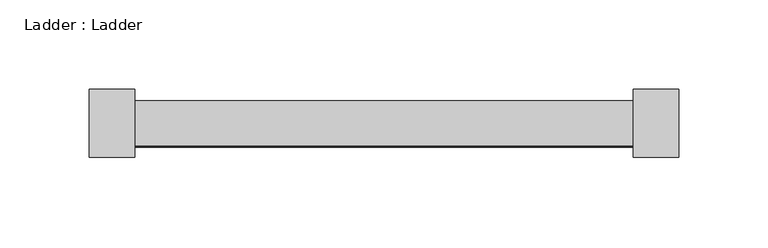
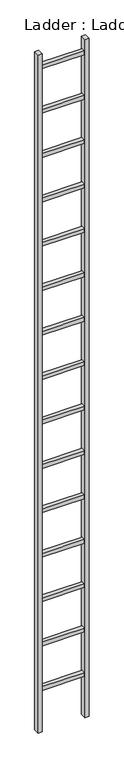
"""IFC4 building model written with IfcOpenShell, lengths in millimetres: proxy geometry, Ladder : Ladder."""

from ifc_helpers import new_model, si_unit, frame, origin, origin_with_axes, place, context, project, spatial, polyline, outline, extrude, source, transform, mapped, element, save


def ladder_ladder_d0bb3a55(model_context):
    return source(origin(), model_context, "Body", "SweptSolid", [
        extrude(outline(polyline([(139.7, -12.7), (-139.7, -12.7), (-139.7, 12.7), (139.7, 12.7), (139.7, -12.7)])), frame((0.0, 0.0, 279.1622392), z_axis=(0.0, 0.0, 1.0), x_axis=(1.0, 0.0, 0.0)), (0.0, 0.0, 1.0), 25.4),
        extrude(outline(polyline([(139.7, -12.7), (-139.7, -12.7), (-139.7, 12.7), (139.7, 12.7), (139.7, -12.7)])), frame((0.0, 0.0, 583.9622392), z_axis=(0.0, 0.0, 1.0), x_axis=(1.0, 0.0, 0.0)), (0.0, 0.0, 1.0), 25.4),
        extrude(outline(polyline([(139.7, -12.7), (-139.7, -12.7), (-139.7, 12.7), (139.7, 12.7), (139.7, -12.7)])), frame((0.0, 0.0, 888.7622392), z_axis=(0.0, 0.0, 1.0), x_axis=(1.0, 0.0, 0.0)), (0.0, 0.0, 1.0), 25.4),
        extrude(outline(polyline([(139.7, -12.7), (-139.7, -12.7), (-139.7, 12.7), (139.7, 12.7), (139.7, -12.7)])), frame((0.0, 0.0, 1193.5622392), z_axis=(0.0, 0.0, 1.0), x_axis=(1.0, 0.0, 0.0)), (0.0, 0.0, 1.0), 25.4),
        extrude(outline(polyline([(139.7, -12.7), (-139.7, -12.7), (-139.7, 12.7), (139.7, 12.7), (139.7, -12.7)])), frame((0.0, 0.0, 1498.3622392), z_axis=(0.0, 0.0, 1.0), x_axis=(1.0, 0.0, 0.0)), (0.0, 0.0, 1.0), 25.4),
        extrude(outline(polyline([(139.7, -12.7), (-139.7, -12.7), (-139.7, 12.7), (139.7, 12.7), (139.7, -12.7)])), frame((0.0, 0.0, 1803.1622392), z_axis=(0.0, 0.0, 1.0), x_axis=(1.0, 0.0, 0.0)), (0.0, 0.0, 1.0), 25.4),
        extrude(outline(polyline([(139.7, -12.7), (-139.7, -12.7), (-139.7, 12.7), (139.7, 12.7), (139.7, -12.7)])), frame((0.0, 0.0, 2107.9622392), z_axis=(0.0, 0.0, 1.0), x_axis=(1.0, 0.0, 0.0)), (0.0, 0.0, 1.0), 25.4),
        extrude(outline(polyline([(139.7, -12.7), (-139.7, -12.7), (-139.7, 12.7), (139.7, 12.7), (139.7, -12.7)])), frame((0.0, 0.0, 2412.7622392), z_axis=(0.0, 0.0, 1.0), x_axis=(1.0, 0.0, 0.0)), (0.0, 0.0, 1.0), 25.4),
        extrude(outline(polyline([(139.7, -12.7), (-139.7, -12.7), (-139.7, 12.7), (139.7, 12.7), (139.7, -12.7)])), frame((0.0, 0.0, 2717.5622392), z_axis=(0.0, 0.0, 1.0), x_axis=(1.0, 0.0, 0.0)), (0.0, 0.0, 1.0), 25.4),
        extrude(outline(polyline([(139.7, -12.7), (-139.7, -12.7), (-139.7, 12.7), (139.7, 12.7), (139.7, -12.7)])), frame((0.0, 0.0, 3022.3622392), z_axis=(0.0, 0.0, 1.0), x_axis=(1.0, 0.0, 0.0)), (0.0, 0.0, 1.0), 25.4),
        extrude(outline(polyline([(139.7, -12.7), (-139.7, -12.7), (-139.7, 12.7), (139.7, 12.7), (139.7, -12.7)])), frame((0.0, 0.0, 3327.1622392), z_axis=(0.0, 0.0, 1.0), x_axis=(1.0, 0.0, 0.0)), (0.0, 0.0, 1.0), 25.4),
        extrude(outline(polyline([(139.7, -12.7), (-139.7, -12.7), (-139.7, 12.7), (139.7, 12.7), (139.7, -12.7)])), frame((0.0, 0.0, 3631.9622392), z_axis=(0.0, 0.0, 1.0), x_axis=(1.0, 0.0, 0.0)), (0.0, 0.0, 1.0), 25.4),
        extrude(outline(polyline([(139.7, -12.7), (-139.7, -12.7), (-139.7, 12.7), (139.7, 12.7), (139.7, -12.7)])), frame((0.0, 0.0, 3936.7622392), z_axis=(0.0, 0.0, 1.0), x_axis=(1.0, 0.0, 0.0)), (0.0, 0.0, 1.0), 25.4),
        extrude(outline(polyline([(139.7, -12.7), (-139.7, -12.7), (-139.7, 12.7), (139.7, 12.7), (139.7, -12.7)])), frame((0.0, 0.0, 4241.5622392), z_axis=(0.0, 0.0, 1.0), x_axis=(1.0, 0.0, 0.0)), (0.0, 0.0, 1.0), 25.4),
        extrude(outline(polyline([(139.7, -12.7), (-139.7, -12.7), (-139.7, 12.7), (139.7, 12.7), (139.7, -12.7)])), frame((0.0, 0.0, 4546.3622392), z_axis=(0.0, 0.0, 1.0), x_axis=(1.0, 0.0, 0.0)), (0.0, 0.0, 1.0), 25.4),
        extrude(outline(polyline([(-139.7, -19.05), (-165.1, -19.05), (-165.1, 19.05), (-139.7, 19.05), (-139.7, -19.05)])), origin_with_axes(), (0.0, 0.0, 1.0), 4653.4584505),
        extrude(outline(polyline([(165.1, -19.05), (139.7, -19.05), (139.7, 19.05), (165.1, 19.05), (165.1, -19.05)])), origin_with_axes(), (0.0, 0.0, 1.0), 4653.4584505),
    ])


if __name__ == "__main__":
    model = new_model("IFC4")
    model_context = context("Model", 3, world=origin())
    ifc_project = project(units=[si_unit("LENGTHUNIT", "METRE", prefix="MILLI")], contexts=[model_context])
    site = spatial("IfcSite", under=ifc_project)
    building = spatial("IfcBuilding", under=site)
    placement = place(None, origin())
    ladder_ladder_shape = ladder_ladder_d0bb3a55(model_context)
    element("IfcBuildingElementProxy", 1, Name="Ladder : Ladder", ObjectType="Ladder : Ladder", at=placement, inside=building, context=model_context, shape_type="MappedRepresentation", body=[
        mapped(ladder_ladder_shape, transform((0.0, 0.0, 0.0), x_axis=(1.0, 0.0, 0.0), y_axis=(0.0, 1.0, 0.0), z_axis=(0.0, 0.0, 1.0))),
    ])
    save(model, "model.ifc")
